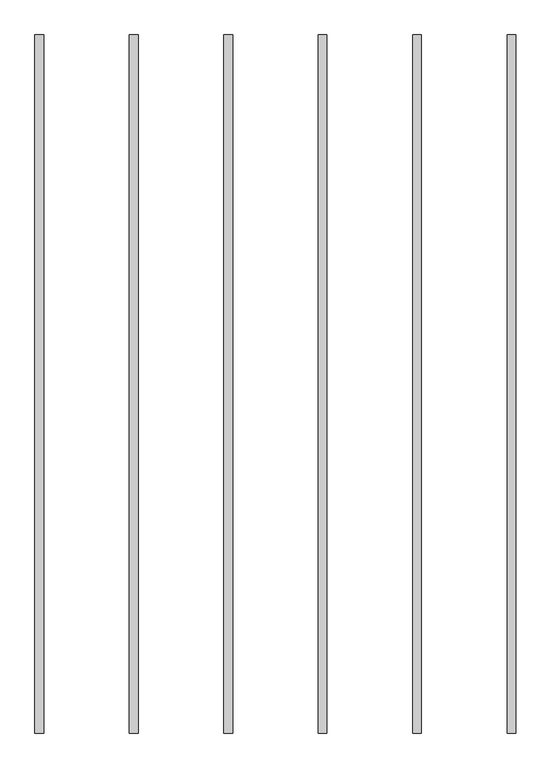
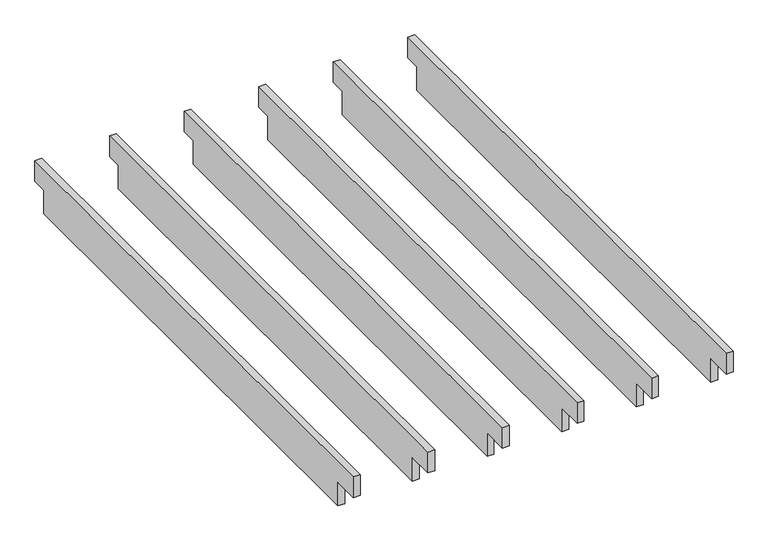
"""IFC4 building model written with IfcOpenShell, lengths in millimetres: furniture geometry."""

from ifc_helpers import new_model, si_unit, frame, origin, place, context, project, spatial, polyline, outline, extrude, source, transform, mapped, element, save


def furniture_38344098(model_context):
    return source(origin(), model_context, "Body", "SweptSolid", [
        extrude(outline(polyline([(0.0, 2354.2752), (0.0, 2265.3752), (-63.119, 2265.3752), (-63.119, 2163.7752), (-2143.9378, 2163.7752), (-2143.9378, 2265.3752), (-2252.7768, 2265.3752), (-2252.7768, 2354.2752), (0.0, 2354.2752)])), frame((1510.0046, 0.0, 0.0), z_axis=(1.0, 0.0, 0.0), x_axis=(0.0, 1.0, 0.0)), (0.0, 0.0, 1.0), 27.9908),
        extrude(outline(polyline([(0.0, 2354.2752), (0.0, 2265.3752), (-63.119, 2265.3752), (-63.119, 2163.7752), (-2143.9378, 2163.7752), (-2143.9378, 2265.3752), (-2252.7768, 2265.3752), (-2252.7768, 2354.2752), (0.0, 2354.2752)])), frame((1205.2046, 0.0, 0.0), z_axis=(1.0, 0.0, 0.0), x_axis=(0.0, 1.0, 0.0)), (0.0, 0.0, 1.0), 27.9908),
        extrude(outline(polyline([(0.0, 2354.2752), (0.0, 2265.3752), (-63.119, 2265.3752), (-63.119, 2163.7752), (-2143.9378, 2163.7752), (-2143.9378, 2265.3752), (-2252.7768, 2265.3752), (-2252.7768, 2354.2752), (0.0, 2354.2752)])), frame((900.4046, 0.0, 0.0), z_axis=(1.0, 0.0, 0.0), x_axis=(0.0, 1.0, 0.0)), (0.0, 0.0, 1.0), 27.9908),
        extrude(outline(polyline([(0.0, 2354.2752), (0.0, 2265.3752), (-63.119, 2265.3752), (-63.119, 2163.7752), (-2143.9378, 2163.7752), (-2143.9378, 2265.3752), (-2252.7768, 2265.3752), (-2252.7768, 2354.2752), (0.0, 2354.2752)])), frame((595.6046, 0.0, 0.0), z_axis=(1.0, 0.0, 0.0), x_axis=(0.0, 1.0, 0.0)), (0.0, 0.0, 1.0), 27.9908),
        extrude(outline(polyline([(0.0, 2354.2752), (0.0, 2265.3752), (-63.119, 2265.3752), (-63.119, 2163.7752), (-2143.9378, 2163.7752), (-2143.9378, 2265.3752), (-2252.7768, 2265.3752), (-2252.7768, 2354.2752), (0.0, 2354.2752)])), frame((290.8046, 0.0, 0.0), z_axis=(1.0, 0.0, 0.0), x_axis=(0.0, 1.0, 0.0)), (0.0, 0.0, 1.0), 27.9908),
        extrude(outline(polyline([(0.0, 2354.2752), (0.0, 2265.3752), (-63.119, 2265.3752), (-63.119, 2163.7752), (-2143.9378, 2163.7752), (-2143.9378, 2265.3752), (-2252.7768, 2265.3752), (-2252.7768, 2354.2752), (0.0, 2354.2752)])), frame((-13.9954, 0.0, 0.0), z_axis=(1.0, 0.0, 0.0), x_axis=(0.0, 1.0, 0.0)), (0.0, 0.0, 1.0), 27.9908),
    ])


if __name__ == "__main__":
    model = new_model("IFC4")
    model_context = context("Model", 3, world=origin())
    ifc_project = project(units=[si_unit("LENGTHUNIT", "METRE", prefix="MILLI")], contexts=[model_context])
    site = spatial("IfcSite", under=ifc_project)
    building = spatial("IfcBuilding", under=site)
    placement = place(None, origin())
    furniture_shape = furniture_38344098(model_context)
    element("IfcFurniture", 1, at=placement, inside=building, context=model_context, shape_type="MappedRepresentation", body=[
        mapped(furniture_shape, transform((0.0, 0.0, 0.0), x_axis=(1.0, 0.0, 0.0), y_axis=(0.0, 1.0, 0.0), z_axis=(0.0, 0.0, 1.0))),
    ])
    save(model, "model.ifc")
